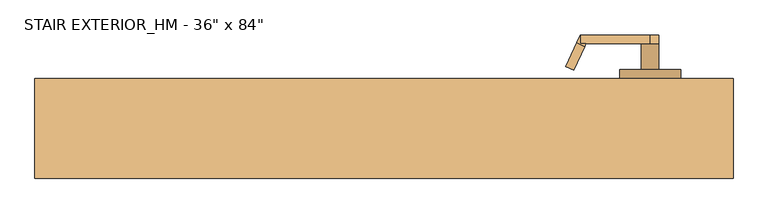
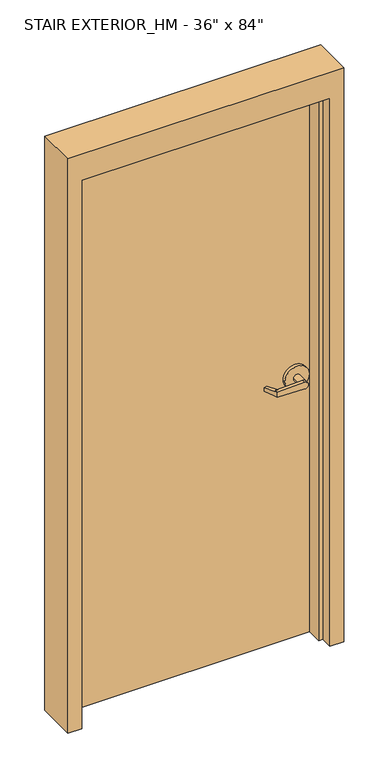
"""IFC4 building model written with IfcOpenShell, lengths in millimetres: door geometry."""

import ifcopenshell
import ifcopenshell.guid

model = None  # the IFC model being written
_history = None  # IfcOwnerHistory: only IFC2X3 demands one
_inside = {}  # id of a spatial element -> (the spatial element, [elements in it])
_under = {}  # id of a project, library or spatial element -> (it, [spatial elements below it])
_declared = {}  # id of a project -> (the project, [libraries it declares])
_typed = {}  # id of a type object -> (the type object, [elements of that type])
_made_of = {}  # id of a material, layer set ... -> (it, [elements and type objects made of it])


def new_model(schema):
    """Start an empty IFC model of exactly this schema.

    Asked for "IFC4X3", IfcOpenShell would pick the latest addendum, in which some entities
    have other attributes; the version numbers below select the first issue.
    IFC2X3 requires an IfcOwnerHistory on every rooted entity: one is made here for all.
    """
    global model, _history
    if schema == "IFC4X3":
        model = ifcopenshell.file(schema_version=(4, 3, 0, 0))
    else:
        model = ifcopenshell.file(schema=schema)
    _inside.clear()
    _under.clear()
    _declared.clear()
    _typed.clear()
    _made_of.clear()
    _history = None
    if model.schema == "IFC2X3":
        org = make("IfcOrganization", Name="unknown")
        user = make(
            "IfcPersonAndOrganization",
            ThePerson=make("IfcPerson", FamilyName="unknown"),
            TheOrganization=org,
        )
        app = make(
            "IfcApplication",
            ApplicationDeveloper=org,
            Version="unknown",
            ApplicationFullName="unknown",
            ApplicationIdentifier="unknown",
        )
        _history = make(
            "IfcOwnerHistory",
            OwningUser=user,
            OwningApplication=app,
            ChangeAction="ADDED",
            CreationDate=0,
        )
    return model


def make(cls, **values):
    """One entity of the class cls with the attributes given. An attribute that is None is left unset."""
    return model.create_entity(
        cls, **{name: value for name, value in values.items() if value is not None}
    )


def rooted(cls, **values):
    """An entity with a GlobalId (a new one), such as an element, a storey or a relation."""
    return make(cls, GlobalId=ifcopenshell.guid.new(), OwnerHistory=_history, **values)


def si_unit(unit_type, name, prefix=None):
    """IfcSIUnit, for example si_unit("LENGTHUNIT", "METRE", prefix="MILLI")."""
    return make("IfcSIUnit", UnitType=unit_type, Prefix=prefix, Name=name)


def assignment(units):
    """IfcUnitAssignment: the units of a project."""
    return None if units is None else make("IfcUnitAssignment", Units=units)


def point(xyz):
    """IfcCartesianPoint."""
    return None if xyz is None else make("IfcCartesianPoint", Coordinates=xyz)


def direction(xyz):
    """IfcDirection."""
    return None if xyz is None else make("IfcDirection", DirectionRatios=xyz)


def frame(location, z_axis=None, x_axis=None):
    """IfcAxis2Placement3D, a coordinate frame: its origin and axes. An axis left out is left unset."""
    return make(
        "IfcAxis2Placement3D",
        Location=point(location),
        Axis=direction(z_axis),
        RefDirection=direction(x_axis),
    )


def origin():
    """The frame at (0, 0, 0) with its axes left unset."""
    return frame((0.0, 0.0, 0.0))


def origin_with_axes():
    """The frame at (0, 0, 0) with the z axis (0, 0, 1) and the x axis (1, 0, 0) written out."""
    return frame((0.0, 0.0, 0.0), z_axis=(0.0, 0.0, 1.0), x_axis=(1.0, 0.0, 0.0))


def place(relative_to, where):
    """IfcLocalPlacement: puts the frame where relative to a parent placement (None: the world)."""
    return make(
        "IfcLocalPlacement", PlacementRelTo=relative_to, RelativePlacement=where
    )


def context(
    kind, dimensions, precision=None, world=None, true_north=None, identifier=None
):
    """IfcGeometricRepresentationContext, for example the 3D "Model" context."""
    return make(
        "IfcGeometricRepresentationContext",
        ContextIdentifier=identifier,
        ContextType=kind,
        CoordinateSpaceDimension=dimensions,
        Precision=precision,
        WorldCoordinateSystem=world,
        TrueNorth=true_north,
    )


def project(units=None, contexts=None):
    """IfcProject with its units and contexts."""
    return rooted(
        "IfcProject",
        Name="project",
        RepresentationContexts=contexts,
        UnitsInContext=assignment(units),
    )


def spatial(cls, under=None, at=None, **own):
    """A site, building, storey or space (cls), placed at a placement, below another one or the project."""
    s = rooted(cls, ObjectPlacement=at, **own)
    if under is not None:
        _under.setdefault(under.id(), (under, []))[1].append(s)
    return s


def polyline(points):
    """IfcPolyline through the points."""
    return make("IfcPolyline", Points=[point(p) for p in points])


def circle_curve(where, radius):
    """IfcCircle in the frame where."""
    return make("IfcCircle", Position=where, Radius=radius)


def outline(outer, holes=None, kind="AREA"):
    """IfcArbitraryClosedProfileDef: a profile drawn as a closed curve; with holes, ...WithVoids."""
    if holes is None:
        return make("IfcArbitraryClosedProfileDef", ProfileType=kind, OuterCurve=outer)
    return make(
        "IfcArbitraryProfileDefWithVoids",
        ProfileType=kind,
        OuterCurve=outer,
        InnerCurves=holes,
    )


def extrude(swept, where, along, depth):
    """IfcExtrudedAreaSolid: the profile swept, set in the frame where, extruded along a direction by depth."""
    return make(
        "IfcExtrudedAreaSolid",
        SweptArea=swept,
        Position=where,
        ExtrudedDirection=direction(along),
        Depth=depth,
    )


def faces_of(points, faces, orient=None, outer=None):
    """IfcFace entities. A face is a list of loops; a loop is a list of indices into points, from 0.

    orient and outer hold one flag for each loop. By default every Orientation is true, the
    first loop of a face is its IfcFaceOuterBound and the others are IfcFaceBound.
    """
    made = []
    for i, loops in enumerate(faces):
        bounds = []
        for j, loop in enumerate(loops):
            is_outer = j == 0 if outer is None else outer[i][j]
            bounds.append(
                make(
                    "IfcFaceOuterBound" if is_outer else "IfcFaceBound",
                    Bound=make("IfcPolyLoop", Polygon=[points[k] for k in loop]),
                    Orientation=True if orient is None else orient[i][j],
                )
            )
        made.append(make("IfcFace", Bounds=bounds))
    return made


def faceted_brep(points, faces, orient=None, outer=None, voids=None):
    """IfcFacetedBrep: a solid bounded by flat faces; with voids (closed shells), ...WithVoids."""
    shared = [point(p) for p in points]
    hull = make("IfcClosedShell", CfsFaces=faces_of(shared, faces, orient, outer))
    if voids is None:
        return make("IfcFacetedBrep", Outer=hull)
    return make(
        "IfcFacetedBrepWithVoids",
        Outer=hull,
        Voids=[
            make(cls, CfsFaces=faces_of(shared, fs, o, b)) for cls, fs, o, b in voids
        ],
    )


def shape(context_of_items, identifier, shape_type, items):
    """IfcShapeRepresentation: the items that make up one representation, for example the "Body"."""
    return make(
        "IfcShapeRepresentation",
        ContextOfItems=context_of_items,
        RepresentationIdentifier=identifier,
        RepresentationType=shape_type,
        Items=items,
    )


def source(mapping_origin, context_of_items, identifier, shape_type, items):
    """IfcRepresentationMap: a shape defined once, which mapped items show again and again."""
    return make(
        "IfcRepresentationMap",
        MappingOrigin=mapping_origin,
        MappedRepresentation=shape(context_of_items, identifier, shape_type, items),
    )


def transform(
    local_origin,
    x_axis=None,
    y_axis=None,
    z_axis=None,
    scale=None,
    scale2=None,
    scale3=None,
    uniform=True,
):
    """IfcCartesianTransformationOperator3D, or its non-uniform kind. x_axis, y_axis, z_axis: its Axis1, 2, 3."""
    if uniform:
        return make(
            "IfcCartesianTransformationOperator3D",
            Axis1=direction(x_axis),
            Axis2=direction(y_axis),
            LocalOrigin=point(local_origin),
            Scale=scale,
            Axis3=direction(z_axis),
        )
    return make(
        "IfcCartesianTransformationOperator3DnonUniform",
        Axis1=direction(x_axis),
        Axis2=direction(y_axis),
        LocalOrigin=point(local_origin),
        Scale=scale,
        Axis3=direction(z_axis),
        Scale2=scale2,
        Scale3=scale3,
    )


def mapped(mapping_source, mapping_target):
    """IfcMappedItem: shows the shape of a source again, moved by a transform."""
    return make(
        "IfcMappedItem", MappingSource=mapping_source, MappingTarget=mapping_target
    )


def made_of(thing, what):
    """Note that an element or type object is made of a material, layer set ...; save() writes the relation."""
    if what is not None:
        _made_of.setdefault(what.id(), (what, []))[1].append(thing)
    return thing


def element(
    cls,
    number,
    at=None,
    inside=None,
    cuts=None,
    type_object=None,
    material=None,
    context=None,
    identifier="Body",
    shape_type=None,
    held_by="IfcProductDefinitionShape",
    body=None,
    shapes=None,
    **own,
):
    """One element of the class cls, such as IfcWall. Its Tag is "e" and its number.

    at: its placement. inside: the storey or other place that contains it. cuts: it is an
    opening in that element (IfcRelVoidsElement). A single representation is given by context,
    identifier, shape_type and body (its items); several are given by shapes. held_by: the class
    of the entity that holds the representations. save() writes the other relations.
    """
    e = rooted(cls, Tag="e%d" % number, ObjectPlacement=at, **own)
    if body is not None:
        shapes = [shape(context, identifier, shape_type, body)]
    if shapes is not None:
        e.Representation = make(held_by, Representations=shapes)
    if inside is not None:
        _inside.setdefault(inside.id(), (inside, []))[1].append(e)
    if cuts is not None:
        rooted(
            "IfcRelVoidsElement", RelatingBuildingElement=cuts, RelatedOpeningElement=e
        )
    if type_object is not None:
        _typed.setdefault(type_object.id(), (type_object, []))[1].append(e)
    return made_of(e, material)


def aggregate(whole, parts):
    """IfcRelAggregates: a whole, such as a stair, and the parts it consists of."""
    return rooted("IfcRelAggregates", RelatingObject=whole, RelatedObjects=parts)


def save(model, path):
    """Write the relations noted so far, then the file.

    IfcRelAggregates (storeys below a building ...), IfcRelContainedInSpatialStructure (elements
    in a storey), IfcRelDefinesByType, IfcRelAssociatesMaterial and IfcRelDeclares: one each for
    every whole, place, type object, material and project.
    """
    for whole, parts in _under.values():
        aggregate(whole, parts)
    for where, things in _inside.values():
        rooted(
            "IfcRelContainedInSpatialStructure",
            RelatedElements=things,
            RelatingStructure=where,
        )
    for kind, things in _typed.values():
        rooted("IfcRelDefinesByType", RelatedObjects=things, RelatingType=kind)
    for what, things in _made_of.values():
        rooted("IfcRelAssociatesMaterial", RelatedObjects=things, RelatingMaterial=what)
    for by, libraries in _declared.values():
        rooted("IfcRelDeclares", RelatingContext=by, RelatedDefinitions=libraries)
    model.write(path)


def plane_surface(at):
    """IfcPlane: the flat surface through the origin of the frame at, square to its z axis."""
    return make("IfcPlane", Position=at)


def cylinder_surface(at, radius):
    """IfcCylindricalSurface: all points at the distance radius from the z axis of the frame at."""
    return make("IfcCylindricalSurface", Position=at, Radius=radius)


def advanced_brep(points, edges, surfaces, faces):
    """IfcAdvancedBrep: a solid bounded by faces that lie on surfaces and meet in shared edges.

    An edge is (start, end): straight between two places in points (the first is 0);
    or (start, end, curve); or (start, end, curve, False) where it runs against its curve.
    A face is (place in surfaces, loops), or (place, loops, False) where it looks against
    its surface's normal. A loop lists edges by number (the first is 1), with a minus sign
    where the edge is run from its end to its start. The first loop is the outer one.
    """
    corners = [point(p) for p in points]
    vertices = [make("IfcVertexPoint", VertexGeometry=c) for c in corners]
    made = []
    for start, end, *more in edges:
        made.append(
            make(
                "IfcEdgeCurve",
                EdgeStart=vertices[start],
                EdgeEnd=vertices[end],
                EdgeGeometry=more[0] if more else make("IfcPolyline", Points=[corners[start], corners[end]]),
                SameSense=more[1] if len(more) > 1 else True,
            )
        )
    hull = []
    for where, loops, *sense in faces:
        bounds = []
        for j, loop in enumerate(loops):
            ring = [make("IfcOrientedEdge", EdgeElement=made[abs(k) - 1], Orientation=k > 0) for k in loop]
            bounds.append(
                make(
                    "IfcFaceOuterBound" if j == 0 else "IfcFaceBound",
                    Bound=make("IfcEdgeLoop", EdgeList=ring),
                    Orientation=True,
                )
            )
        hull.append(make("IfcAdvancedFace", Bounds=bounds, FaceSurface=surfaces[where], SameSense=sense[0] if sense else True))
    return make("IfcAdvancedBrep", Outer=make("IfcClosedShell", CfsFaces=hull))


def door_8f90ea70(model_context):
    return source(origin(), model_context, "Body", "SolidModel", [
        advanced_brep(
        [(291.892857, -18.0476392, 1006.475), (275.7911012, 16.4826875, 1009.65), (275.7911012, 16.4826875, 1022.35), (291.892857, -18.0476392, 1025.525), (293.8407923, -22.225, 1025.525), (293.8407923, -22.225, 1006.475), (285.75, -34.925, 1025.525), (280.3827481, -23.4148911, 1025.525), (264.2809923, 11.1154356, 1022.35), (264.2809923, 11.1154356, 1009.65), (280.3827481, -23.4148911, 1006.475), (285.75, -34.925, 1006.475), (285.75, -22.225, 1006.475), (285.75, -22.225, 1025.525), (386.9525418, -34.925, 1003.3062209), (386.9525418, -34.925, 1028.6937791), (386.9525418, -22.225, 1028.6937791), (374.65, -22.225, 1016.0), (386.9525418, -22.225, 1003.3062209), (400.05, -22.225, 1016.0), (400.05, 15.875, 1016.0), (374.65, 15.875, 1016.0), (431.8, 15.875, 1016.0), (342.9, 15.875, 1016.0), (431.8, 28.575, 1016.0), (342.9, 28.575, 1016.0)],
        [
            (0, 1),
            (1, 2),
            (2, 3),
            (3, 4),
            (4, 5),
            (5, 0),
            (6, 7),
            (7, 8),
            (8, 9),
            (9, 10),
            (10, 11),
            (11, 6),
            (10, 0),
            (5, 12),
            (12, 11),
            (9, 1),
            (8, 2),
            (7, 3),
            (6, 13),
            (13, 4),
            (11, 14),
            (14, 15, circle_curve(frame((387.35, -34.925, 1016.0), z_axis=(0.0, -1.0, 0.0), x_axis=(-1.0, 0.0, 0.0)), 12.7)),
            (15, 6),
            (13, 16),
            (16, 17, circle_curve(frame((387.35, -22.225, 1016.0), z_axis=(0.0, -1.0, 0.0), x_axis=(-1.0, 0.0, 0.0)), 12.7)),
            (17, 18, circle_curve(frame((387.35, -22.225, 1016.0), z_axis=(0.0, -1.0, 0.0), x_axis=(-1.0, 0.0, 0.0)), 12.7)),
            (18, 12),
            (18, 14),
            (18, 19, circle_curve(frame((387.35, -22.225, 1016.0), z_axis=(0.0, -1.0, 0.0), x_axis=(-1.0, 0.0, 0.0)), 12.7)),
            (19, 16, circle_curve(frame((387.35, -22.225, 1016.0), z_axis=(0.0, -1.0, 0.0), x_axis=(-1.0, 0.0, 0.0)), 12.7)),
            (16, 15),
            (19, 20),
            (20, 21, circle_curve(frame((387.35, 15.875, 1016.0), z_axis=(0.0, -1.0, 0.0), x_axis=(-1.0, 0.0, 0.0)), 12.7)),
            (21, 17),
            (21, 20, circle_curve(frame((387.35, 15.875, 1016.0), z_axis=(0.0, -1.0, 0.0), x_axis=(-1.0, 0.0, 0.0)), 12.7)),
            (22, 23, circle_curve(frame((387.35, 15.875, 1016.0), z_axis=(0.0, -1.0, 0.0), x_axis=(-1.0, 0.0, 0.0)), 44.45)),
            (23, 22, circle_curve(frame((387.35, 15.875, 1016.0), z_axis=(0.0, -1.0, 0.0), x_axis=(-1.0, 0.0, 0.0)), 44.45)),
            (24, 25, circle_curve(frame((387.35, 28.575, 1016.0), z_axis=(0.0, 1.0, 0.0), x_axis=(-1.0, 0.0, 0.0)), 44.45)),
            (25, 24, circle_curve(frame((387.35, 28.575, 1016.0), z_axis=(0.0, 1.0, 0.0), x_axis=(-1.0, 0.0, 0.0)), 44.45)),
            (22, 24),
            (25, 23),
        ],
        [
            plane_surface(frame((297.2601089, -29.5577481, 1006.475), z_axis=(0.9063077870366494, 0.4226182617407007, 0.0), x_axis=(0.0, 0.0, -1.0))),
            plane_surface(frame((285.75, -34.925, 1006.475), z_axis=(-0.9063077870366494, -0.4226182617407007, 0.0), x_axis=(0.0, 0.0, 1.0))),
            plane_surface(frame((297.2601089, -29.5577481, 1006.475), z_axis=(0.0, 0.0, -1.0000000000000002), x_axis=(-0.9063077870366494, -0.42261826174070094, 0.0))),
            plane_surface(frame((291.892857, -18.0476392, 1006.475), z_axis=(-0.035096536341209586, 0.07526476506963879, -0.9965457582448799), x_axis=(-0.9063077870366494, -0.42261826174070094, 0.0))),
            plane_surface(frame((275.7911012, 16.4826875, 1009.65), z_axis=(-0.42261826174070094, 0.9063077870366494, 0.0), x_axis=(-0.9063077870366494, -0.42261826174070094, 0.0))),
            plane_surface(frame((275.7911012, 16.4826875, 1022.35), z_axis=(-0.03509653634121044, 0.07526476506964089, 0.9965457582448796), x_axis=(-0.9063077870366495, -0.42261826174070033, 0.0))),
            plane_surface(frame((291.892857, -18.0476392, 1025.525), z_axis=(0.0, 0.0, 1.0000000000000002), x_axis=(-0.9063077870366494, -0.42261826174070094, 0.0))),
            plane_surface(frame((285.75, -34.925, 1006.475), z_axis=(0.0, -1.0, 0.0), x_axis=(0.9995101626549141, 0.0, -0.03129592225110647))),
            plane_surface(frame((285.75, -22.225, 1006.475), z_axis=(0.0, 1.0, 0.0), x_axis=(-0.9995101626549141, 0.0, 0.03129592225110647))),
            plane_surface(frame((285.75, -34.925, 1006.475), z_axis=(-0.03129592225110647, 0.0, -0.9995101626549141), x_axis=(0.0, 1.0, 0.0))),
            cylinder_surface(frame((387.35, -22.225, 1016.0), z_axis=(0.0, -1.0, 0.0), x_axis=(-1.0, 0.0, 0.0)), 12.7),
            plane_surface(frame((386.9525418, -34.925, 1028.6937791), z_axis=(-0.03129592225110282, 0.0, 0.9995101626549142), x_axis=(0.0, 1.0, 0.0))),
            cylinder_surface(frame((387.35, 15.875, 1016.0), z_axis=(0.0, -1.0, 0.0), x_axis=(-1.0, 0.0, 0.0)), 12.7),
            plane_surface(frame((342.9, 15.875, 1016.0), z_axis=(0.0, -1.0, 0.0), x_axis=(0.0, 0.0, -1.0))),
            plane_surface(frame((342.9, 28.575, 1016.0), z_axis=(0.0, 1.0, 0.0), x_axis=(0.0, 0.0, 1.0))),
            cylinder_surface(frame((387.35, 28.575, 1016.0), z_axis=(0.0, -1.0, 0.0), x_axis=(-1.0, 0.0, 0.0)), 44.45),
        ],
        [
            (0, [[1, 2, 3, 4, 5, 6]]),
            (1, [[7, 8, 9, 10, 11, 12]]),
            (2, [[-11, 13, -6, 14, 15]]),
            (3, [[-1, -13, -10, 16]]),
            (4, [[-2, -16, -9, 17]]),
            (5, [[-3, -17, -8, 18]]),
            (6, [[-7, 19, 20, -4, -18]]),
            (7, [[21, 22, 23, -12]]),
            (8, [[24, 25, 26, 27, -14, -5, -20]]),
            (9, [[-21, -15, -27, 28]]),
            (10, [[-22, -28, 29, 30, 31]]),
            (11, [[-23, -31, -24, -19]]),
            (12, [[32, 33, 34, -25, -30]]),
            (12, [[-32, -29, -26, -34, 35]]),
            (13, [[36, 37], [-33, -35]]),
            (14, [[38, 39]]),
            (15, [[-36, 40, -39, 41]]),
            (15, [[-37, -41, -38, -40]]),
        ],
    ),
        advanced_brep(
        [(291.892857, 119.6476392, 1025.525), (275.7911012, 85.1173125, 1022.35), (275.7911012, 85.1173125, 1009.65), (291.892857, 119.6476392, 1006.475), (293.8407923, 123.825, 1006.475), (293.8407923, 123.825, 1025.525), (285.75, 136.525, 1006.475), (280.3827481, 125.0148911, 1006.475), (264.2809923, 90.4845644, 1009.65), (264.2809923, 90.4845644, 1022.35), (280.3827481, 125.0148911, 1025.525), (285.75, 136.525, 1025.525), (285.75, 123.825, 1025.525), (285.75, 123.825, 1006.475), (386.9525418, 136.525, 1028.6937791), (386.9525418, 136.525, 1003.3062209), (386.9525418, 123.825, 1003.3062209), (374.65, 123.825, 1016.0), (386.9525418, 123.825, 1028.6937791), (400.05, 123.825, 1016.0), (400.05, 85.725, 1016.0), (374.65, 85.725, 1016.0), (431.8, 85.725, 1016.0), (342.9, 85.725, 1016.0), (431.8, 73.025, 1016.0), (342.9, 73.025, 1016.0)],
        [
            (0, 1),
            (1, 2),
            (2, 3),
            (3, 4),
            (4, 5),
            (5, 0),
            (6, 7),
            (7, 8),
            (8, 9),
            (9, 10),
            (10, 11),
            (11, 6),
            (10, 0),
            (5, 12),
            (12, 11),
            (9, 1),
            (8, 2),
            (7, 3),
            (6, 13),
            (13, 4),
            (11, 14),
            (14, 15, circle_curve(frame((387.35, 136.525, 1016.0), z_axis=(0.0, 1.0, 0.0), x_axis=(-1.0, 0.0, 0.0)), 12.7)),
            (15, 6),
            (13, 16),
            (16, 17, circle_curve(frame((387.35, 123.825, 1016.0), z_axis=(0.0, 1.0, 0.0), x_axis=(-1.0, 0.0, 0.0)), 12.7)),
            (17, 18, circle_curve(frame((387.35, 123.825, 1016.0), z_axis=(0.0, 1.0, 0.0), x_axis=(-1.0, 0.0, 0.0)), 12.7)),
            (18, 12),
            (18, 14),
            (18, 19, circle_curve(frame((387.35, 123.825, 1016.0), z_axis=(0.0, 1.0, 0.0), x_axis=(-1.0, 0.0, 0.0)), 12.7)),
            (19, 16, circle_curve(frame((387.35, 123.825, 1016.0), z_axis=(0.0, 1.0, 0.0), x_axis=(-1.0, 0.0, 0.0)), 12.7)),
            (16, 15),
            (19, 20),
            (20, 21, circle_curve(frame((387.35, 85.725, 1016.0), z_axis=(0.0, 1.0, 0.0), x_axis=(-1.0, 0.0, 0.0)), 12.7)),
            (21, 17),
            (21, 20, circle_curve(frame((387.35, 85.725, 1016.0), z_axis=(0.0, 1.0, 0.0), x_axis=(-1.0, 0.0, 0.0)), 12.7)),
            (22, 23, circle_curve(frame((387.35, 85.725, 1016.0), z_axis=(0.0, 1.0, 0.0), x_axis=(-1.0, 0.0, 0.0)), 44.45)),
            (23, 22, circle_curve(frame((387.35, 85.725, 1016.0), z_axis=(0.0, 1.0, 0.0), x_axis=(-1.0, 0.0, 0.0)), 44.45)),
            (24, 25, circle_curve(frame((387.35, 73.025, 1016.0), z_axis=(0.0, -1.0, 0.0), x_axis=(-1.0, 0.0, 0.0)), 44.45)),
            (25, 24, circle_curve(frame((387.35, 73.025, 1016.0), z_axis=(0.0, -1.0, 0.0), x_axis=(-1.0, 0.0, 0.0)), 44.45)),
            (22, 24),
            (25, 23),
        ],
        [
            plane_surface(frame((297.2601089, 131.1577481, 1025.525), z_axis=(0.9063077870366494, -0.4226182617407007, 0.0), x_axis=(0.0, 0.0, 1.0))),
            plane_surface(frame((285.75, 136.525, 1025.525), z_axis=(-0.9063077870366494, 0.4226182617407007, 0.0), x_axis=(0.0, 0.0, -1.0))),
            plane_surface(frame((297.2601089, 131.1577481, 1025.525), z_axis=(0.0, 0.0, 1.0000000000000002), x_axis=(-0.9063077870366494, 0.42261826174070094, 0.0))),
            plane_surface(frame((291.892857, 119.6476392, 1025.525), z_axis=(-0.03509653634120952, -0.07526476506963879, 0.9965457582448799), x_axis=(-0.9063077870366494, 0.42261826174070094, 0.0))),
            plane_surface(frame((275.7911012, 85.1173125, 1022.35), z_axis=(-0.42261826174070094, -0.9063077870366494, 0.0), x_axis=(-0.9063077870366494, 0.42261826174070094, 0.0))),
            plane_surface(frame((275.7911012, 85.1173125, 1009.65), z_axis=(-0.03509653634121051, -0.07526476506964089, -0.9965457582448796), x_axis=(-0.9063077870366495, 0.42261826174070033, 0.0))),
            plane_surface(frame((291.892857, 119.6476392, 1006.475), z_axis=(0.0, 0.0, -1.0000000000000002), x_axis=(-0.9063077870366494, 0.42261826174070094, 0.0))),
            plane_surface(frame((285.75, 136.525, 1025.525), z_axis=(0.0, 1.0, 0.0), x_axis=(0.9995101626549141, 0.0, 0.0312959222511064))),
            plane_surface(frame((285.75, 123.825, 1025.525), z_axis=(0.0, -1.0, 0.0), x_axis=(-0.9995101626549141, 0.0, -0.0312959222511064))),
            plane_surface(frame((285.75, 136.525, 1025.525), z_axis=(-0.0312959222511064, 0.0, 0.9995101626549141), x_axis=(0.0, -1.0, 0.0))),
            cylinder_surface(frame((387.35, 123.825, 1016.0), z_axis=(0.0, 1.0, 0.0), x_axis=(-1.0, 0.0, 0.0)), 12.7),
            plane_surface(frame((386.9525418, 136.525, 1003.3062209), z_axis=(-0.03129592225110289, 0.0, -0.9995101626549142), x_axis=(0.0, -1.0, 0.0))),
            cylinder_surface(frame((387.35, 85.725, 1016.0), z_axis=(0.0, 1.0, 0.0), x_axis=(-1.0, 0.0, 0.0)), 12.7),
            plane_surface(frame((342.9, 85.725, 1016.0), z_axis=(0.0, 1.0, 0.0), x_axis=(0.0, 0.0, 1.0))),
            plane_surface(frame((342.9, 73.025, 1016.0), z_axis=(0.0, -1.0, 0.0), x_axis=(0.0, 0.0, -1.0))),
            cylinder_surface(frame((387.35, 73.025, 1016.0), z_axis=(0.0, 1.0, 0.0), x_axis=(-1.0, 0.0, 0.0)), 44.45),
        ],
        [
            (0, [[1, 2, 3, 4, 5, 6]]),
            (1, [[7, 8, 9, 10, 11, 12]]),
            (2, [[-11, 13, -6, 14, 15]]),
            (3, [[-1, -13, -10, 16]]),
            (4, [[-2, -16, -9, 17]]),
            (5, [[-3, -17, -8, 18]]),
            (6, [[-7, 19, 20, -4, -18]]),
            (7, [[21, 22, 23, -12]]),
            (8, [[24, 25, 26, 27, -14, -5, -20]]),
            (9, [[-21, -15, -27, 28]]),
            (10, [[-22, -28, 29, 30, 31]]),
            (11, [[-23, -31, -24, -19]]),
            (12, [[32, 33, 34, -25, -30]]),
            (12, [[-32, -29, -26, -34, 35]]),
            (13, [[36, 37], [-33, -35]]),
            (14, [[38, 39]]),
            (15, [[-36, 40, -39, 41]]),
            (15, [[-37, -41, -38, -40]]),
        ],
    ),
        extrude(outline(polyline([(-457.2, 73.025), (457.2, 73.025), (457.2, 28.575), (-457.2, 28.575), (-457.2, 73.025)])), origin_with_axes(), (0.0, 0.0, 1.0), 2133.6),
        faceted_brep([(-457.2, 73.025, 0.0), (-457.2, 28.575, 0.0), (-441.325, 28.575, 0.0), (-441.325, -28.575, 0.0), (-457.2, -28.575, 0.0), (-457.2, -73.025, 0.0), (-508.0, -73.025, 0.0), (-508.0, 73.025, 0.0), (-457.2, 73.025, 2133.6), (-457.2, 28.575, 2133.6), (457.2, 28.575, 2133.6), (457.2, 28.575, 0.0), (441.325, 28.575, 0.0), (441.325, 28.575, 2117.725), (-441.325, 28.575, 2117.725), (-441.325, -28.575, 2117.725), (441.325, -28.575, 2117.725), (441.325, -28.575, 0.0), (457.2, -28.575, 0.0), (457.2, -28.575, 2133.6), (-457.2, -28.575, 2133.6), (-457.2, -73.025, 2133.6), (457.2, -73.025, 2133.6), (457.2, -73.025, 0.0), (508.0, -73.025, 0.0), (508.0, -73.025, 2235.2), (-508.0, -73.025, 2235.2), (-508.0, 73.025, 2235.2), (508.0, 73.025, 2235.2), (508.0, 73.025, 0.0), (457.2, 73.025, 0.0), (457.2, 73.025, 2133.6)], [[[0, 1, 2, 3, 4, 5, 6, 7]], [[1, 0, 8, 9]], [[2, 1, 9, 10, 11, 12, 13, 14]], [[3, 2, 14, 15]], [[4, 3, 15, 16, 17, 18, 19, 20]], [[5, 4, 20, 21]], [[6, 5, 21, 22, 23, 24, 25, 26]], [[7, 6, 26, 27]], [[0, 7, 27, 28, 29, 30, 31, 8]], [[30, 11, 10, 31]], [[30, 29, 24, 23, 18, 17, 12, 11]], [[12, 17, 16, 13]], [[19, 18, 23, 22]], [[29, 28, 25, 24]], [[25, 28, 27, 26]], [[21, 20, 19, 22]], [[15, 14, 13, 16]], [[10, 9, 8, 31]]]),
    ])


if __name__ == "__main__":
    model = new_model("IFC4")
    model_context = context("Model", 3, world=origin())
    ifc_project = project(units=[si_unit("LENGTHUNIT", "METRE", prefix="MILLI")], contexts=[model_context])
    site = spatial("IfcSite", under=ifc_project)
    building = spatial("IfcBuilding", under=site)
    placement = place(None, origin())
    door_shape = door_8f90ea70(model_context)
    element("IfcDoor", 1, ObjectType="STAIR EXTERIOR_HM - 36\" x 84\"", at=placement, inside=building, context=model_context, shape_type="MappedRepresentation", body=[
        mapped(door_shape, transform((0.0, 0.0, 0.0), x_axis=(1.0, 0.0, 0.0), y_axis=(0.0, 1.0, 0.0), z_axis=(0.0, 0.0, 1.0))),
    ])
    save(model, "model.ifc")
